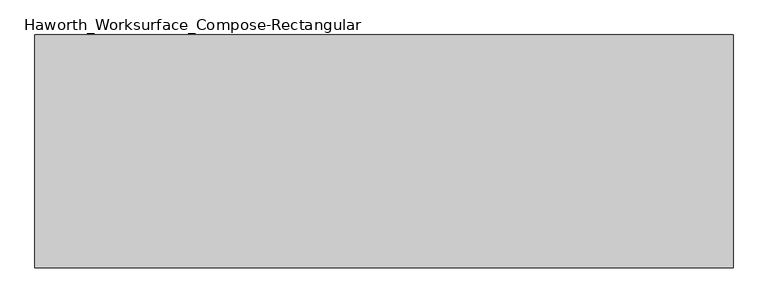
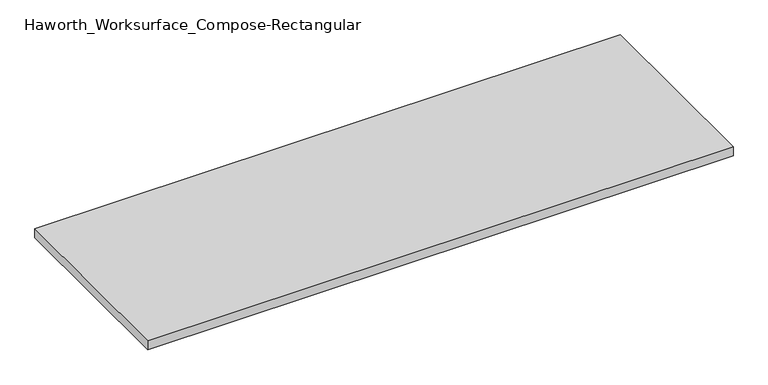
"""IFC4 building model written with IfcOpenShell, lengths in millimetres: furniture geometry, Haworth_Worksurface_Compose-Rectangular."""

from ifc_helpers import new_model, si_unit, frame, origin, place, context, project, spatial, polyline, outline, extrude, source, transform, mapped, element, save


def haworth_worksurface_compose_rectangular_6e8cab24(model_context):
    return source(origin(), model_context, "Body", "SweptSolid", [
        extrude(outline(polyline([(914.4, -304.8), (-914.4, -304.8), (-914.4, 304.8), (914.4, 304.8), (914.4, -304.8)])), frame((0.0, 0.0, 706.4375), z_axis=(0.0, 0.0, 1.0), x_axis=(1.0, 0.0, 0.0)), (0.0, 0.0, 1.0), 30.1625),
    ])


if __name__ == "__main__":
    model = new_model("IFC4")
    model_context = context("Model", 3, world=origin())
    ifc_project = project(units=[si_unit("LENGTHUNIT", "METRE", prefix="MILLI")], contexts=[model_context])
    site = spatial("IfcSite", under=ifc_project)
    building = spatial("IfcBuilding", under=site)
    placement = place(None, origin())
    haworth_worksurface_compose_rectangular_shape = haworth_worksurface_compose_rectangular_6e8cab24(model_context)
    element("IfcFurniture", 1, ObjectType="Haworth_Worksurface_Compose-Rectangular", at=placement, inside=building, context=model_context, shape_type="MappedRepresentation", body=[
        mapped(haworth_worksurface_compose_rectangular_shape, transform((0.0, 0.0, 0.0), x_axis=(1.0, 0.0, 0.0), y_axis=(0.0, 1.0, 0.0), z_axis=(0.0, 0.0, 1.0))),
    ])
    save(model, "model.ifc")
